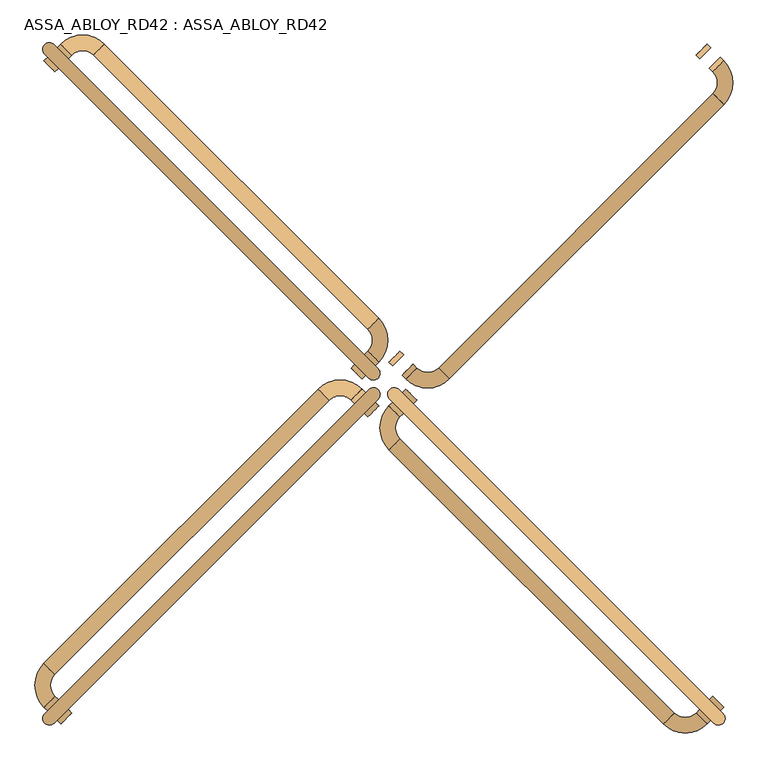
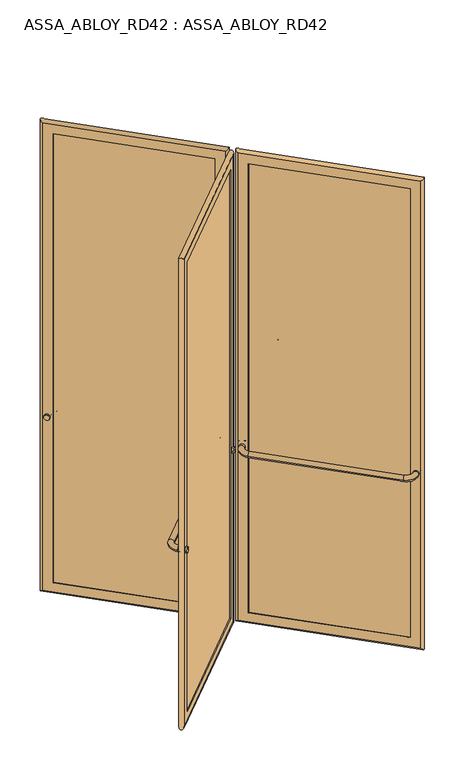
"""IFC4 building model written with IfcOpenShell, lengths in millimetres: door geometry, ASSA_ABLOY_RD42 : ASSA_ABLOY_RD42."""

from ifc_helpers import new_model, si_unit, point, frame, origin, origin_2d, place, context, project, spatial, polyline, circle_curve, ellipse_curve, trimmed, segment, composite_curve, outline, extrude, source, transform, mapped, element, save
from ifc_brep_helpers import plane_surface, cylinder_surface, revolved_surface, advanced_brep


def assa_abloy_rd42_assa_abloy_rd42_ce6b9905(model_context):
    return source(origin(), model_context, "Body", "SolidModel", [
        extrude(outline(composite_curve([segment(trimmed(circle_curve(origin_2d(), 15.0), [point((0.0, 15.0))], [point((0.0, -15.0))], False, "CARTESIAN"), True, "CONTINUOUS"), segment(trimmed(circle_curve(origin_2d(), 15.0), [point((0.0, -15.0))], [point((0.0, 15.0))], False, "CARTESIAN"), True, "CONTINUOUS")], self_intersect=False)), frame((767.0529573, -623.668181, 1050.0), z_axis=(0.7071067811865496, 0.7071067811865455, 0.0), x_axis=(0.0, 0.0, 1.0)), (0.0, 0.0, 1.0), 10.0),
        extrude(outline(composite_curve([segment(trimmed(circle_curve(origin_2d(), 15.0), [point((0.0, 15.0))], [point((0.0, -15.0))], False, "CARTESIAN"), True, "CONTINUOUS"), segment(trimmed(circle_curve(origin_2d(), 15.0), [point((0.0, -15.0))], [point((0.0, 15.0))], False, "CARTESIAN"), True, "CONTINUOUS")], self_intersect=False)), frame((170.9619408, -27.5771645, 1050.0), z_axis=(0.7071067811865496, 0.7071067811865455, 0.0), x_axis=(0.0, 0.0, 1.0)), (0.0, 0.0, 1.0), 10.0),
        advanced_brep(
        [(141.9705627, -35.3553391, 1050.0), (163.1837662, -56.5685425, 1050.0), (134.8994949, -42.4264069, 1050.0), (156.1126984, -63.6396103, 1050.0), (156.1126984, -106.0660172, 1050.0), (134.8994949, -127.2792206, 1050.0), (667.3509012, -659.7306268, 1050.0), (688.5641046, -638.5174234, 1050.0), (730.9905115, -638.5174234, 1050.0), (752.2037149, -659.7306268, 1050.0), (759.2747827, -652.659559, 1050.0), (738.0615793, -631.4463556, 1050.0)],
        [
            (0, 1, circle_curve(frame((152.5771645, -45.9619408, 1050.0), z_axis=(0.7071067811865497, 0.7071067811865456, 0.0), x_axis=(0.7071067811865456, -0.7071067811865497, 0.0)), 15.0)),
            (1, 0, circle_curve(frame((152.5771645, -45.9619408, 1050.0), z_axis=(0.7071067811865497, 0.7071067811865456, 0.0), x_axis=(0.7071067811865456, -0.7071067811865497, 0.0)), 15.0)),
            (0, 2),
            (2, 3, circle_curve(frame((145.5060967, -53.0330086, 1050.0), z_axis=(0.7071067811865497, 0.7071067811865456, 0.0), x_axis=(0.7071067811865456, -0.7071067811865497, 0.0)), 15.0)),
            (3, 1),
            (3, 2, circle_curve(frame((145.5060967, -53.0330086, 1050.0), z_axis=(0.7071067811865497, 0.7071067811865456, 0.0), x_axis=(0.7071067811865456, -0.7071067811865497, 0.0)), 15.0)),
            (4, 3, circle_curve(frame((177.3259018, -84.8528137, 1050.0), z_axis=(0.0, 0.0, -1.0), x_axis=(-0.707106781186541, 0.7071067811865542, 0.0)), 30.0)),
            (2, 5, circle_curve(frame((177.3259018, -84.8528137, 1050.0), z_axis=(0.0, 0.0, 1.0), x_axis=(-0.707106781186541, 0.7071067811865542, 0.0)), 60.0)),
            (5, 4, circle_curve(frame((145.5060967, -116.6726189, 1050.0), z_axis=(-0.7071067811865127, 0.7071067811865825, 0.0), x_axis=(0.7071067811865825, 0.7071067811865127, 0.0)), 15.0)),
            (4, 5, circle_curve(frame((145.5060967, -116.6726189, 1050.0), z_axis=(-0.707106781186487, 0.7071067811866083, 0.0), x_axis=(0.7071067811866083, 0.707106781186487, 0.0)), 15.0)),
            (5, 6),
            (6, 7, circle_curve(frame((677.9575029, -649.1240251, 1050.0), z_axis=(-0.7071067811865456, 0.7071067811865497, 0.0), x_axis=(0.7071067811865497, 0.7071067811865456, 0.0)), 15.0)),
            (7, 4),
            (7, 6, circle_curve(frame((677.9575029, -649.1240251, 1050.0), z_axis=(-0.7071067811865456, 0.7071067811865497, 0.0), x_axis=(0.7071067811865497, 0.7071067811865456, 0.0)), 15.0)),
            (8, 7, circle_curve(frame((709.777308, -617.30422, 1050.0), z_axis=(0.0, 0.0, -1.0), x_axis=(-0.7071067811865539, -0.7071067811865414, 0.0)), 30.0)),
            (6, 9, circle_curve(frame((709.777308, -617.30422, 1050.0), z_axis=(0.0, 0.0, 1.0), x_axis=(-0.7071067811865539, -0.7071067811865414, 0.0)), 60.0)),
            (9, 8, circle_curve(frame((741.5971132, -649.1240251, 1050.0), z_axis=(-0.7071067811865512, -0.707106781186544, 0.0), x_axis=(-0.707106781186544, 0.7071067811865512, 0.0)), 15.0)),
            (8, 9, circle_curve(frame((741.5971132, -649.1240251, 1050.0), z_axis=(-0.707106781186553, -0.7071067811865422, 0.0), x_axis=(-0.7071067811865422, 0.707106781186553, 0.0)), 15.0)),
            (10, 11, circle_curve(frame((748.668181, -642.0529573, 1050.0), z_axis=(0.7071067811865497, 0.7071067811865456, 0.0), x_axis=(-0.7071067811865456, 0.7071067811865497, 0.0)), 15.0)),
            (11, 10, circle_curve(frame((748.668181, -642.0529573, 1050.0), z_axis=(0.7071067811865497, 0.7071067811865456, 0.0), x_axis=(-0.7071067811865456, 0.7071067811865497, 0.0)), 15.0)),
            (9, 10),
            (11, 8),
        ],
        [
            plane_surface(frame((152.5771645, -45.9619408, 1050.0), z_axis=(0.7071067811865496, 0.7071067811865455, 0.0), x_axis=(0.0, 0.0, 1.0))),
            cylinder_surface(frame((152.5771645, -45.9619408, 1050.0), z_axis=(0.7071067811865497, 0.7071067811865456, 0.0), x_axis=(0.7071067811865456, -0.7071067811865497, 0.0)), 15.0),
            revolved_surface(trimmed(ellipse_curve(frame((145.5060967, -53.0330086, 1050.0), z_axis=(0.7071067811865542, 0.707106781186541, 0.0), x_axis=(0.707106781186541, -0.7071067811865542, 0.0)), 15.0, 15.0), [point((134.8994949, -42.4264069, 1050.0))], [point((156.1126984, -63.6396103, 1050.0))], True, "CARTESIAN"), (177.3259018, -84.8528137, 1050.0), (0.0, 0.0, 1.0)),
            revolved_surface(trimmed(ellipse_curve(frame((145.5060967, -53.0330086, 1050.0), z_axis=(0.7071067811865542, 0.707106781186541, 0.0), x_axis=(0.707106781186541, -0.7071067811865542, 0.0)), 15.0, 15.0), [point((156.1126984, -63.6396103, 1050.0))], [point((134.8994949, -42.4264069, 1050.0))], True, "CARTESIAN"), (177.3259018, -84.8528137, 1050.0), (0.0, 0.0, 1.0)),
            cylinder_surface(frame((145.5060967, -116.6726189, 1050.0), z_axis=(-0.7071067811865456, 0.7071067811865497, 0.0), x_axis=(0.7071067811865497, 0.7071067811865456, 0.0)), 15.0),
            revolved_surface(trimmed(ellipse_curve(frame((677.9575029, -649.1240251, 1050.0), z_axis=(-0.7071067811865414, 0.7071067811865539, 0.0), x_axis=(0.7071067811865539, 0.7071067811865414, 0.0)), 15.0, 15.0), [point((667.3509012, -659.7306268, 1050.0))], [point((688.5641046, -638.5174234, 1050.0))], True, "CARTESIAN"), (709.777308, -617.30422, 1050.0), (0.0, 0.0, 1.0)),
            revolved_surface(trimmed(ellipse_curve(frame((677.9575029, -649.1240251, 1050.0), z_axis=(-0.7071067811865414, 0.7071067811865539, 0.0), x_axis=(0.7071067811865539, 0.7071067811865414, 0.0)), 15.0, 15.0), [point((688.5641046, -638.5174234, 1050.0))], [point((667.3509012, -659.7306268, 1050.0))], True, "CARTESIAN"), (709.777308, -617.30422, 1050.0), (0.0, 0.0, 1.0)),
            plane_surface(frame((748.668181, -642.0529573, 1050.0), z_axis=(0.7071067811865496, 0.7071067811865455, 0.0), x_axis=(0.0, 0.0, 1.0))),
            cylinder_surface(frame((741.5971132, -649.1240251, 1050.0), z_axis=(-0.7071067811865497, -0.7071067811865456, 0.0), x_axis=(-0.7071067811865456, 0.7071067811865497, 0.0)), 15.0),
        ],
        [
            (0, [[1, 2]]),
            (1, [[-1, 3, 4, 5]]),
            (1, [[-2, -5, 6, -3]]),
            (2, [[7, -4, 8, 9]]),
            (3, [[-8, -6, -7, 10]]),
            (4, [[-9, 11, 12, 13]]),
            (4, [[-10, -13, 14, -11]]),
            (5, [[15, -12, 16, 17]]),
            (6, [[-16, -14, -15, 18]]),
            (7, [[19, 20]]),
            (8, [[-17, 21, -20, 22]]),
            (8, [[-18, -22, -19, -21]]),
        ],
    ),
        advanced_brep(
        [(730.2834047, -619.4255403, 105.0), (728.1620844, -621.5468607, 105.0), (728.1620844, -621.5468607, 2673.0), (730.2834047, -619.4255403, 2673.0), (758.5676759, -619.4255403, 85.0), (744.4255403, -633.5676759, 85.0), (744.4255403, -633.5676759, 2693.0), (758.5676759, -619.4255403, 2693.0), (746.5468607, -603.1620844, 105.0), (744.4255403, -605.2834047, 105.0), (744.4255403, -605.2834047, 2673.0), (746.5468607, -603.1620844, 2673.0), (764.931637, -658.3164133, 53.0), (783.3164133, -639.931637, 53.0), (783.3164133, -639.931637, 2725.0), (764.931637, -658.3164133, 2725.0), (173.0832611, -66.4680374, 2673.0), (175.2045815, -64.3467171, 2673.0), (161.0624458, -50.2045815, 2693.0), (175.2045815, -36.0624458, 2693.0), (189.3467171, -50.2045815, 2673.0), (191.4680374, -48.0832611, 2673.0), (154.6984848, -11.3137085, 2725.0), (136.3137085, -29.6984848, 2725.0), (173.0832611, -66.4680374, 105.0), (175.2045815, -64.3467171, 105.0), (161.0624458, -50.2045815, 85.0), (175.2045815, -36.0624458, 85.0), (189.3467171, -50.2045815, 105.0), (191.4680374, -48.0832611, 105.0), (154.6984848, -11.3137085, 53.0), (136.3137085, -29.6984848, 53.0)],
        [
            (0, 1),
            (1, 2),
            (2, 3),
            (3, 0),
            (4, 5),
            (5, 6),
            (6, 7),
            (7, 4),
            (8, 9),
            (9, 10),
            (10, 11),
            (11, 8),
            (12, 13, ellipse_curve(frame((774.1240251, -649.1240251, 53.0), z_axis=(0.4999999999999917, -0.5000000000000084, 0.7071067811865475), x_axis=(0.5000000000000054, -0.4999999999999945, -0.7071067811865476)), 18.3847763, 13.0)),
            (13, 14),
            (14, 15, ellipse_curve(frame((774.1240251, -649.1240251, 2725.0), z_axis=(0.5000000000000054, -0.49999999999999456, -0.7071067811865475), x_axis=(-0.4999999999999915, 0.5000000000000083, -0.7071067811865476)), 18.3847763, 13.0)),
            (15, 12),
            (2, 16),
            (16, 17),
            (17, 3),
            (6, 18),
            (18, 19),
            (19, 7),
            (10, 20),
            (20, 21),
            (21, 11),
            (14, 22),
            (22, 23, ellipse_curve(frame((145.5060967, -20.5060967, 2725.0), z_axis=(0.4999999999999917, -0.5000000000000084, 0.7071067811865475), x_axis=(0.5000000000000054, -0.4999999999999945, -0.7071067811865476)), 18.3847763, 13.0)),
            (23, 15),
            (16, 24),
            (24, 25),
            (25, 17),
            (18, 26),
            (26, 27),
            (27, 19),
            (20, 28),
            (28, 29),
            (29, 21),
            (22, 30),
            (30, 31, ellipse_curve(frame((145.5060967, -20.5060967, 53.0), z_axis=(-0.5000000000000054, 0.49999999999999456, 0.7071067811865475), x_axis=(0.4999999999999915, -0.5000000000000083, 0.7071067811865476)), 18.3847763, 13.0)),
            (31, 23),
            (24, 1),
            (0, 25),
            (5, 26),
            (4, 27),
            (9, 28),
            (8, 29),
            (13, 30),
            (12, 31),
        ],
        [
            plane_surface(frame((728.1620844, -621.5468607, 105.0), z_axis=(-0.7071067811865437, 0.7071067811865513, 0.0), x_axis=(0.0, 0.0, 1.0))),
            plane_surface(frame((744.4255403, -633.5676759, 85.0), z_axis=(-0.7071067811865452, 0.7071067811865498, 0.0), x_axis=(0.0, 0.0, 1.0))),
            plane_surface(frame((744.4255403, -605.2834047, 105.0), z_axis=(-0.7071067811865437, 0.7071067811865513, 0.0), x_axis=(0.0, 0.0, 1.0))),
            cylinder_surface(frame((774.1240251, -649.1240251, 40.0), z_axis=(0.0, 0.0, -1.0), x_axis=(-0.7071067811865456, 0.7071067811865497, 0.0)), 13.0),
            plane_surface(frame((728.1620844, -621.5468607, 2673.0), z_axis=(0.0, 0.0, -1.0), x_axis=(-0.7071067811865455, 0.7071067811865496, 0.0))),
            plane_surface(frame((744.4255403, -633.5676759, 2693.0), z_axis=(0.0, 0.0, -1.0), x_axis=(-0.7071067811865455, 0.7071067811865496, 0.0))),
            plane_surface(frame((744.4255403, -605.2834047, 2673.0), z_axis=(0.0, 0.0, -1.0), x_axis=(-0.7071067811865455, 0.7071067811865496, 0.0))),
            cylinder_surface(frame((783.3164133, -658.3164133, 2725.0), z_axis=(0.7071067811865456, -0.7071067811865497, 0.0), x_axis=(0.0, 0.0, -1.0)), 13.0),
            plane_surface(frame((173.0832611, -66.4680374, 2673.0), z_axis=(0.7071067811865472, -0.7071067811865478, 0.0), x_axis=(0.0, 0.0, -1.0))),
            plane_surface(frame((161.0624458, -50.2045815, 2693.0), z_axis=(0.7071067811865457, -0.7071067811865493, 0.0), x_axis=(0.0, 0.0, -1.0))),
            plane_surface(frame((189.3467171, -50.2045815, 2673.0), z_axis=(0.7071067811865472, -0.7071067811865478, 0.0), x_axis=(0.0, 0.0, -1.0))),
            cylinder_surface(frame((145.5060967, -20.5060967, 2738.0), z_axis=(0.0, 0.0, 1.0), x_axis=(0.7071067811865456, -0.7071067811865497, 0.0)), 13.0),
            plane_surface(frame((173.0832611, -66.4680374, 105.0), z_axis=(0.0, 0.0, 1.0), x_axis=(0.7071067811865455, -0.7071067811865496, 0.0))),
            plane_surface(frame((175.2045815, -64.3467171, 105.0), z_axis=(0.7071067811865496, 0.7071067811865455, 0.0), x_axis=(0.7071067811865455, -0.7071067811865496, 0.0))),
            plane_surface(frame((161.0624458, -50.2045815, 85.0), z_axis=(0.0, 0.0, 1.0), x_axis=(0.7071067811865455, -0.7071067811865496, 0.0))),
            plane_surface(frame((175.2045815, -36.0624458, 85.0), z_axis=(-0.7071067811865496, -0.7071067811865455, 0.0), x_axis=(0.7071067811865455, -0.7071067811865496, 0.0))),
            plane_surface(frame((189.3467171, -50.2045815, 105.0), z_axis=(0.0, 0.0, 1.0), x_axis=(0.7071067811865455, -0.7071067811865496, 0.0))),
            plane_surface(frame((191.4680374, -48.0832611, 105.0), z_axis=(0.7071067811865496, 0.7071067811865455, 0.0), x_axis=(0.7071067811865455, -0.7071067811865496, 0.0))),
            cylinder_surface(frame((136.3137085, -11.3137085, 53.0), z_axis=(-0.7071067811865456, 0.7071067811865497, 0.0), x_axis=(0.0, 0.0, 1.0)), 13.0),
            plane_surface(frame((136.3137085, -29.6984848, 53.0), z_axis=(-0.7071067811865496, -0.7071067811865455, 0.0), x_axis=(0.7071067811865455, -0.7071067811865496, 0.0))),
        ],
        [
            (0, [[1, 2, 3, 4]]),
            (1, [[5, 6, 7, 8]]),
            (2, [[9, 10, 11, 12]]),
            (3, [[13, 14, 15, 16]]),
            (4, [[-3, 17, 18, 19]]),
            (5, [[-7, 20, 21, 22]]),
            (6, [[-11, 23, 24, 25]]),
            (7, [[-15, 26, 27, 28]]),
            (8, [[-18, 29, 30, 31]]),
            (9, [[-21, 32, 33, 34]]),
            (10, [[-24, 35, 36, 37]]),
            (11, [[-27, 38, 39, 40]]),
            (12, [[-30, 41, -1, 42]]),
            (13, [[43, -32, -20, -6], [-19, -31, -42, -4]]),
            (14, [[-33, -43, -5, 44]]),
            (15, [[-22, -34, -44, -8], [45, -35, -23, -10]]),
            (16, [[-36, -45, -9, 46]]),
            (17, [[47, -38, -26, -14], [-25, -37, -46, -12]]),
            (18, [[-39, -47, -13, 48]]),
            (19, [[-28, -40, -48, -16], [-41, -29, -17, -2]]),
        ],
    ),
        extrude(outline(polyline([(755.032142, -622.9610742), (747.9610742, -630.032142), (164.5979797, -46.6690476), (171.6690476, -39.5979797), (755.032142, -622.9610742)])), frame((0.0, 0.0, 85.0), z_axis=(0.0, 0.0, 1.0), x_axis=(1.0, 0.0, 0.0)), (0.0, 0.0, 1.0), 2608.0),
        extrude(outline(composite_curve([segment(trimmed(circle_curve(origin_2d(), 15.0), [point((0.0, -15.0))], [point((0.0, 15.0))], False, "CARTESIAN"), True, "CONTINUOUS"), segment(trimmed(circle_curve(origin_2d(), 15.0), [point((0.0, 15.0))], [point((0.0, -15.0))], False, "CARTESIAN"), True, "CONTINUOUS")], self_intersect=False)), frame((-491.5971132, -649.1240251, 1050.0), z_axis=(-0.7071067811865447, 0.7071067811865503, 0.0), x_axis=(0.0, 0.0, 1.0)), (0.0, 0.0, 1.0), 10.0),
        extrude(outline(composite_curve([segment(trimmed(circle_curve(origin_2d(), 15.0), [point((0.0, -15.0))], [point((0.0, 15.0))], False, "CARTESIAN"), True, "CONTINUOUS"), segment(trimmed(circle_curve(origin_2d(), 15.0), [point((0.0, 15.0))], [point((0.0, -15.0))], False, "CARTESIAN"), True, "CONTINUOUS")], self_intersect=False)), frame((104.4939033, -53.0330086, 1050.0), z_axis=(-0.7071067811865447, 0.7071067811865503, 0.0), x_axis=(0.0, 0.0, 1.0)), (0.0, 0.0, 1.0), 10.0),
        advanced_brep(
        [(89.6446609, -16.9705627, 1050.0), (68.4314575, -38.1837662, 1050.0), (82.5735931, -9.8994949, 1050.0), (61.3603897, -31.1126984, 1050.0), (18.9339828, -31.1126984, 1050.0), (-2.2792206, -9.8994949, 1050.0), (-534.7306268, -542.3509012, 1050.0), (-513.5174234, -563.5641046, 1050.0), (-513.5174234, -605.9905115, 1050.0), (-534.7306268, -627.2037149, 1050.0), (-527.659559, -634.2747827, 1050.0), (-506.4463556, -613.0615793, 1050.0)],
        [
            (0, 1, circle_curve(frame((79.0380592, -27.5771645, 1050.0), z_axis=(0.7071067811865447, -0.7071067811865503, 0.0), x_axis=(-0.7071067811865503, -0.7071067811865447, 0.0)), 15.0)),
            (1, 0, circle_curve(frame((79.0380592, -27.5771645, 1050.0), z_axis=(0.7071067811865447, -0.7071067811865503, 0.0), x_axis=(-0.7071067811865503, -0.7071067811865447, 0.0)), 15.0)),
            (0, 2),
            (2, 3, circle_curve(frame((71.9669914, -20.5060967, 1050.0), z_axis=(0.7071067811865447, -0.7071067811865503, 0.0), x_axis=(-0.7071067811865503, -0.7071067811865447, 0.0)), 15.0)),
            (3, 1),
            (3, 2, circle_curve(frame((71.9669914, -20.5060967, 1050.0), z_axis=(0.7071067811865447, -0.7071067811865503, 0.0), x_axis=(-0.7071067811865503, -0.7071067811865447, 0.0)), 15.0)),
            (4, 3, circle_curve(frame((40.1471863, -52.3259018, 1050.0), z_axis=(0.0, 0.0, -1.0), x_axis=(0.7071067811865549, 0.7071067811865401, 0.0)), 30.0)),
            (2, 5, circle_curve(frame((40.1471863, -52.3259018, 1050.0), z_axis=(0.0, 0.0, 1.0), x_axis=(0.7071067811865549, 0.7071067811865401, 0.0)), 60.0)),
            (5, 4, circle_curve(frame((8.3273811, -20.5060967, 1050.0), z_axis=(0.7071067811865832, 0.7071067811865118, 0.0), x_axis=(0.7071067811865118, -0.7071067811865832, 0.0)), 15.0)),
            (4, 5, circle_curve(frame((8.3273811, -20.5060967, 1050.0), z_axis=(0.707106781186609, 0.7071067811864861, 0.0), x_axis=(0.7071067811864861, -0.707106781186609, 0.0)), 15.0)),
            (5, 6),
            (6, 7, circle_curve(frame((-524.1240251, -552.9575029, 1050.0), z_axis=(0.7071067811865503, 0.7071067811865447, 0.0), x_axis=(0.7071067811865447, -0.7071067811865503, 0.0)), 15.0)),
            (7, 4),
            (7, 6, circle_curve(frame((-524.1240251, -552.9575029, 1050.0), z_axis=(0.7071067811865503, 0.7071067811865447, 0.0), x_axis=(0.7071067811865447, -0.7071067811865503, 0.0)), 15.0)),
            (8, 7, circle_curve(frame((-492.30422, -584.777308, 1050.0), z_axis=(0.0, 0.0, -1.0), x_axis=(-0.7071067811865405, 0.7071067811865546, 0.0)), 30.0)),
            (6, 9, circle_curve(frame((-492.30422, -584.777308, 1050.0), z_axis=(0.0, 0.0, 1.0), x_axis=(-0.7071067811865405, 0.7071067811865546, 0.0)), 60.0)),
            (9, 8, circle_curve(frame((-524.1240251, -616.5971132, 1050.0), z_axis=(-0.7071067811865431, 0.7071067811865519, 0.0), x_axis=(0.7071067811865519, 0.7071067811865431, 0.0)), 15.0)),
            (8, 9, circle_curve(frame((-524.1240251, -616.5971132, 1050.0), z_axis=(-0.7071067811865414, 0.7071067811865537, 0.0), x_axis=(0.7071067811865537, 0.7071067811865414, 0.0)), 15.0)),
            (10, 11, circle_curve(frame((-517.0529573, -623.668181, 1050.0), z_axis=(0.7071067811865447, -0.7071067811865503, 0.0), x_axis=(0.7071067811865503, 0.7071067811865447, 0.0)), 15.0)),
            (11, 10, circle_curve(frame((-517.0529573, -623.668181, 1050.0), z_axis=(0.7071067811865447, -0.7071067811865503, 0.0), x_axis=(0.7071067811865503, 0.7071067811865447, 0.0)), 15.0)),
            (9, 10),
            (11, 8),
        ],
        [
            plane_surface(frame((79.0380592, -27.5771645, 1050.0), z_axis=(0.7071067811865447, -0.7071067811865503, 0.0), x_axis=(0.0, 0.0, 1.0))),
            cylinder_surface(frame((79.0380592, -27.5771645, 1050.0), z_axis=(0.7071067811865447, -0.7071067811865503, 0.0), x_axis=(-0.7071067811865503, -0.7071067811865447, 0.0)), 15.0),
            revolved_surface(trimmed(ellipse_curve(frame((71.9669914, -20.5060967, 1050.0), z_axis=(0.7071067811865401, -0.7071067811865549, 0.0), x_axis=(-0.7071067811865549, -0.7071067811865401, 0.0)), 15.0, 15.0), [point((82.5735931, -9.8994949, 1050.0))], [point((61.3603897, -31.1126984, 1050.0))], True, "CARTESIAN"), (40.1471863, -52.3259018, 1050.0), (0.0, 0.0, 1.0)),
            revolved_surface(trimmed(ellipse_curve(frame((71.9669914, -20.5060967, 1050.0), z_axis=(0.7071067811865401, -0.7071067811865549, 0.0), x_axis=(-0.7071067811865549, -0.7071067811865401, 0.0)), 15.0, 15.0), [point((61.3603897, -31.1126984, 1050.0))], [point((82.5735931, -9.8994949, 1050.0))], True, "CARTESIAN"), (40.1471863, -52.3259018, 1050.0), (0.0, 0.0, 1.0)),
            cylinder_surface(frame((8.3273811, -20.5060967, 1050.0), z_axis=(0.7071067811865503, 0.7071067811865447, 0.0), x_axis=(0.7071067811865447, -0.7071067811865503, 0.0)), 15.0),
            revolved_surface(trimmed(ellipse_curve(frame((-524.1240251, -552.9575029, 1050.0), z_axis=(0.7071067811865546, 0.7071067811865405, 0.0), x_axis=(0.7071067811865405, -0.7071067811865546, 0.0)), 15.0, 15.0), [point((-534.7306268, -542.3509012, 1050.0))], [point((-513.5174234, -563.5641046, 1050.0))], True, "CARTESIAN"), (-492.30422, -584.777308, 1050.0), (0.0, 0.0, 1.0)),
            revolved_surface(trimmed(ellipse_curve(frame((-524.1240251, -552.9575029, 1050.0), z_axis=(0.7071067811865546, 0.7071067811865405, 0.0), x_axis=(0.7071067811865405, -0.7071067811865546, 0.0)), 15.0, 15.0), [point((-513.5174234, -563.5641046, 1050.0))], [point((-534.7306268, -542.3509012, 1050.0))], True, "CARTESIAN"), (-492.30422, -584.777308, 1050.0), (0.0, 0.0, 1.0)),
            plane_surface(frame((-517.0529573, -623.668181, 1050.0), z_axis=(0.7071067811865447, -0.7071067811865503, 0.0), x_axis=(0.0, 0.0, 1.0))),
            cylinder_surface(frame((-524.1240251, -616.5971132, 1050.0), z_axis=(-0.7071067811865447, 0.7071067811865503, 0.0), x_axis=(0.7071067811865503, 0.7071067811865447, 0.0)), 15.0),
        ],
        [
            (0, [[1, 2]]),
            (1, [[-1, 3, 4, 5]]),
            (1, [[-2, -5, 6, -3]]),
            (2, [[7, -4, 8, 9]]),
            (3, [[-8, -6, -7, 10]]),
            (4, [[-9, 11, 12, 13]]),
            (4, [[-10, -13, 14, -11]]),
            (5, [[15, -12, 16, 17]]),
            (6, [[-16, -14, -15, 18]]),
            (7, [[19, 20]]),
            (8, [[-17, 21, -20, 22]]),
            (8, [[-18, -22, -19, -21]]),
        ],
    ),
        advanced_brep(
        [(-494.4255403, -605.2834047, 105.0), (-496.5468607, -603.1620844, 105.0), (-496.5468607, -603.1620844, 2673.0), (-494.4255403, -605.2834047, 2673.0), (-494.4255403, -633.5676759, 85.0), (-508.5676759, -619.4255403, 85.0), (-508.5676759, -619.4255403, 2693.0), (-494.4255403, -633.5676759, 2693.0), (-478.1620844, -621.5468607, 105.0), (-480.2834047, -619.4255403, 105.0), (-480.2834047, -619.4255403, 2673.0), (-478.1620844, -621.5468607, 2673.0), (-533.3164133, -639.931637, 53.0), (-514.931637, -658.3164133, 53.0), (-514.931637, -658.3164133, 2725.0), (-533.3164133, -639.931637, 2725.0), (58.5319626, -48.0832611, 2673.0), (60.6532829, -50.2045815, 2673.0), (74.7954185, -36.0624458, 2693.0), (88.9375542, -50.2045815, 2693.0), (74.7954185, -64.3467171, 2673.0), (76.9167389, -66.4680374, 2673.0), (113.6862915, -29.6984848, 2725.0), (95.3015152, -11.3137085, 2725.0), (58.5319626, -48.0832611, 105.0), (60.6532829, -50.2045815, 105.0), (74.7954185, -36.0624458, 85.0), (88.9375542, -50.2045815, 85.0), (74.7954185, -64.3467171, 105.0), (76.9167389, -66.4680374, 105.0), (113.6862915, -29.6984848, 53.0), (95.3015152, -11.3137085, 53.0)],
        [
            (0, 1),
            (1, 2),
            (2, 3),
            (3, 0),
            (4, 5),
            (5, 6),
            (6, 7),
            (7, 4),
            (8, 9),
            (9, 10),
            (10, 11),
            (11, 8),
            (12, 13, ellipse_curve(frame((-524.1240251, -649.1240251, 53.0), z_axis=(-0.5000000000000089, -0.49999999999999106, 0.7071067811865475), x_axis=(-0.49999999999999495, -0.5000000000000048, -0.7071067811865476)), 18.3847763, 13.0)),
            (13, 14),
            (14, 15, ellipse_curve(frame((-524.1240251, -649.1240251, 2725.0), z_axis=(-0.49999999999999506, -0.5000000000000049, -0.7071067811865475), x_axis=(0.5000000000000088, 0.49999999999999095, -0.7071067811865476)), 18.3847763, 13.0)),
            (15, 12),
            (2, 16),
            (16, 17),
            (17, 3),
            (6, 18),
            (18, 19),
            (19, 7),
            (10, 20),
            (20, 21),
            (21, 11),
            (14, 22),
            (22, 23, ellipse_curve(frame((104.4939033, -20.5060967, 2725.0), z_axis=(-0.5000000000000089, -0.49999999999999106, 0.7071067811865475), x_axis=(-0.4999999999999951, -0.5000000000000049, -0.7071067811865474)), 18.3847763, 13.0)),
            (23, 15),
            (16, 24),
            (24, 25),
            (25, 17),
            (18, 26),
            (26, 27),
            (27, 19),
            (20, 28),
            (28, 29),
            (29, 21),
            (22, 30),
            (30, 31, ellipse_curve(frame((104.4939033, -20.5060967, 53.0), z_axis=(0.49999999999999506, 0.5000000000000049, 0.7071067811865475), x_axis=(-0.5000000000000088, -0.49999999999999095, 0.7071067811865476)), 18.3847763, 13.0)),
            (31, 23),
            (24, 1),
            (0, 25),
            (5, 26),
            (4, 27),
            (9, 28),
            (8, 29),
            (13, 30),
            (12, 31),
        ],
        [
            plane_surface(frame((-496.5468607, -603.1620844, 105.0), z_axis=(0.7071067811865521, 0.7071067811865429, 0.0), x_axis=(0.0, 0.0, 1.0))),
            plane_surface(frame((-508.5676759, -619.4255403, 85.0), z_axis=(0.7071067811865506, 0.7071067811865445, 0.0), x_axis=(0.0, 0.0, 1.0))),
            plane_surface(frame((-480.2834047, -619.4255403, 105.0), z_axis=(0.7071067811865521, 0.7071067811865429, 0.0), x_axis=(0.0, 0.0, 1.0))),
            cylinder_surface(frame((-524.1240251, -649.1240251, 40.0), z_axis=(0.0, 0.0, -1.0), x_axis=(0.7071067811865503, 0.7071067811865447, 0.0)), 13.0),
            plane_surface(frame((-496.5468607, -603.1620844, 2673.0), z_axis=(0.0, 0.0, -1.0), x_axis=(0.7071067811865503, 0.7071067811865447, 0.0))),
            plane_surface(frame((-508.5676759, -619.4255403, 2693.0), z_axis=(0.0, 0.0, -1.0), x_axis=(0.7071067811865503, 0.7071067811865447, 0.0))),
            plane_surface(frame((-480.2834047, -619.4255403, 2673.0), z_axis=(0.0, 0.0, -1.0), x_axis=(0.7071067811865503, 0.7071067811865447, 0.0))),
            cylinder_surface(frame((-533.3164133, -658.3164133, 2725.0), z_axis=(-0.7071067811865503, -0.7071067811865447, 0.0), x_axis=(0.0, 0.0, -1.0)), 13.0),
            plane_surface(frame((58.5319626, -48.0832611, 2673.0), z_axis=(-0.7071067811865486, -0.7071067811865465, 0.0), x_axis=(0.0, 0.0, -1.0))),
            plane_surface(frame((74.7954185, -36.0624458, 2693.0), z_axis=(-0.7071067811865501, -0.7071067811865449, 0.0), x_axis=(0.0, 0.0, -1.0))),
            plane_surface(frame((74.7954185, -64.3467171, 2673.0), z_axis=(-0.7071067811865486, -0.7071067811865465, 0.0), x_axis=(0.0, 0.0, -1.0))),
            cylinder_surface(frame((104.4939033, -20.5060967, 2738.0), z_axis=(0.0, 0.0, 1.0), x_axis=(-0.7071067811865503, -0.7071067811865447, 0.0)), 13.0),
            plane_surface(frame((58.5319626, -48.0832611, 105.0), z_axis=(0.0, 0.0, 1.0), x_axis=(-0.7071067811865503, -0.7071067811865447, 0.0))),
            plane_surface(frame((60.6532829, -50.2045815, 105.0), z_axis=(0.7071067811865447, -0.7071067811865503, 0.0), x_axis=(-0.7071067811865503, -0.7071067811865447, 0.0))),
            plane_surface(frame((74.7954185, -36.0624458, 85.0), z_axis=(0.0, 0.0, 1.0), x_axis=(-0.7071067811865503, -0.7071067811865447, 0.0))),
            plane_surface(frame((88.9375542, -50.2045815, 85.0), z_axis=(-0.7071067811865447, 0.7071067811865503, 0.0), x_axis=(-0.7071067811865503, -0.7071067811865447, 0.0))),
            plane_surface(frame((74.7954185, -64.3467171, 105.0), z_axis=(0.0, 0.0, 1.0), x_axis=(-0.7071067811865503, -0.7071067811865447, 0.0))),
            plane_surface(frame((76.9167389, -66.4680374, 105.0), z_axis=(0.7071067811865447, -0.7071067811865503, 0.0), x_axis=(-0.7071067811865503, -0.7071067811865447, 0.0))),
            cylinder_surface(frame((113.6862915, -11.3137085, 53.0), z_axis=(0.7071067811865503, 0.7071067811865447, 0.0), x_axis=(0.0, 0.0, 1.0)), 13.0),
            plane_surface(frame((95.3015152, -11.3137085, 53.0), z_axis=(-0.7071067811865447, 0.7071067811865503, 0.0), x_axis=(-0.7071067811865503, -0.7071067811865447, 0.0))),
        ],
        [
            (0, [[1, 2, 3, 4]]),
            (1, [[5, 6, 7, 8]]),
            (2, [[9, 10, 11, 12]]),
            (3, [[13, 14, 15, 16]]),
            (4, [[-3, 17, 18, 19]]),
            (5, [[-7, 20, 21, 22]]),
            (6, [[-11, 23, 24, 25]]),
            (7, [[-15, 26, 27, 28]]),
            (8, [[-18, 29, 30, 31]]),
            (9, [[-21, 32, 33, 34]]),
            (10, [[-24, 35, 36, 37]]),
            (11, [[-27, 38, 39, 40]]),
            (12, [[-30, 41, -1, 42]]),
            (13, [[43, -32, -20, -6], [-19, -31, -42, -4]]),
            (14, [[-33, -43, -5, 44]]),
            (15, [[-22, -34, -44, -8], [45, -35, -23, -10]]),
            (16, [[-36, -45, -9, 46]]),
            (17, [[47, -38, -26, -14], [-25, -37, -46, -12]]),
            (18, [[-39, -47, -13, 48]]),
            (19, [[-28, -40, -48, -16], [-41, -29, -17, -2]]),
        ],
    ),
        extrude(outline(polyline([(-497.9610742, -630.032142), (-505.032142, -622.9610742), (78.3309524, -39.5979797), (85.4020203, -46.6690476), (-497.9610742, -630.032142)])), frame((0.0, 0.0, 85.0), z_axis=(0.0, 0.0, 1.0), x_axis=(1.0, 0.0, 0.0)), (0.0, 0.0, 1.0), 2608.0),
        extrude(outline(composite_curve([segment(trimmed(circle_curve(origin_2d(), 15.0), [point((0.0, -15.0))], [point((0.0, 15.0))], False, "CARTESIAN"), True, "CONTINUOUS"), segment(trimmed(circle_curve(origin_2d(), 15.0), [point((0.0, 15.0))], [point((0.0, -15.0))], False, "CARTESIAN"), True, "CONTINUOUS")], self_intersect=False)), frame((-524.1240251, 616.5971132, 1050.0), z_axis=(0.70710678118655, 0.707106781186545, 0.0), x_axis=(0.0, 0.0, 1.0)), (0.0, 0.0, 1.0), 10.0),
        extrude(outline(composite_curve([segment(trimmed(circle_curve(origin_2d(), 15.0), [point((0.0, -15.0))], [point((0.0, 15.0))], False, "CARTESIAN"), True, "CONTINUOUS"), segment(trimmed(circle_curve(origin_2d(), 15.0), [point((0.0, 15.0))], [point((0.0, -15.0))], False, "CARTESIAN"), True, "CONTINUOUS")], self_intersect=False)), frame((71.9669914, 20.5060967, 1050.0), z_axis=(0.70710678118655, 0.707106781186545, 0.0), x_axis=(0.0, 0.0, 1.0)), (0.0, 0.0, 1.0), 10.0),
        advanced_brep(
        [(108.0294373, 35.3553391, 1050.0), (86.8162338, 56.5685425, 1050.0), (115.1005051, 42.4264069, 1050.0), (93.8873016, 63.6396103, 1050.0), (93.8873016, 106.0660172, 1050.0), (115.1005051, 127.2792206, 1050.0), (-417.3509012, 659.7306268, 1050.0), (-438.5641046, 638.5174234, 1050.0), (-480.9905115, 638.5174234, 1050.0), (-502.2037149, 659.7306268, 1050.0), (-509.2747827, 652.659559, 1050.0), (-488.0615793, 631.4463556, 1050.0)],
        [
            (0, 1, circle_curve(frame((97.4228355, 45.9619408, 1050.0), z_axis=(-0.70710678118655, -0.707106781186545, 0.0), x_axis=(-0.707106781186545, 0.70710678118655, 0.0)), 15.0)),
            (1, 0, circle_curve(frame((97.4228355, 45.9619408, 1050.0), z_axis=(-0.70710678118655, -0.707106781186545, 0.0), x_axis=(-0.707106781186545, 0.70710678118655, 0.0)), 15.0)),
            (0, 2),
            (2, 3, circle_curve(frame((104.4939033, 53.0330086, 1050.0), z_axis=(-0.70710678118655, -0.707106781186545, 0.0), x_axis=(-0.707106781186545, 0.70710678118655, 0.0)), 15.0)),
            (3, 1),
            (3, 2, circle_curve(frame((104.4939033, 53.0330086, 1050.0), z_axis=(-0.70710678118655, -0.707106781186545, 0.0), x_axis=(-0.707106781186545, 0.70710678118655, 0.0)), 15.0)),
            (4, 3, circle_curve(frame((72.6740982, 84.8528137, 1050.0), z_axis=(0.0, 0.0, -1.0), x_axis=(0.7071067811865405, -0.7071067811865546, 0.0)), 30.0)),
            (2, 5, circle_curve(frame((72.6740982, 84.8528137, 1050.0), z_axis=(0.0, 0.0, 1.0), x_axis=(0.7071067811865405, -0.7071067811865546, 0.0)), 60.0)),
            (5, 4, circle_curve(frame((104.4939033, 116.6726189, 1050.0), z_axis=(0.7071067811865122, -0.7071067811865829, 0.0), x_axis=(-0.7071067811865829, -0.7071067811865122, 0.0)), 15.0)),
            (4, 5, circle_curve(frame((104.4939033, 116.6726189, 1050.0), z_axis=(0.7071067811864864, -0.7071067811866086, 0.0), x_axis=(-0.7071067811866086, -0.7071067811864864, 0.0)), 15.0)),
            (5, 6),
            (6, 7, circle_curve(frame((-427.9575029, 649.1240251, 1050.0), z_axis=(0.707106781186545, -0.70710678118655, 0.0), x_axis=(-0.70710678118655, -0.707106781186545, 0.0)), 15.0)),
            (7, 4),
            (7, 6, circle_curve(frame((-427.9575029, 649.1240251, 1050.0), z_axis=(0.707106781186545, -0.70710678118655, 0.0), x_axis=(-0.70710678118655, -0.707106781186545, 0.0)), 15.0)),
            (8, 7, circle_curve(frame((-459.777308, 617.30422, 1050.0), z_axis=(0.0, 0.0, -1.0), x_axis=(0.7071067811865543, 0.7071067811865407, 0.0)), 30.0)),
            (6, 9, circle_curve(frame((-459.777308, 617.30422, 1050.0), z_axis=(0.0, 0.0, 1.0), x_axis=(0.7071067811865543, 0.7071067811865407, 0.0)), 60.0)),
            (9, 8, circle_curve(frame((-491.5971132, 649.1240251, 1050.0), z_axis=(0.7071067811865517, 0.7071067811865434, 0.0), x_axis=(0.7071067811865434, -0.7071067811865517, 0.0)), 15.0)),
            (8, 9, circle_curve(frame((-491.5971132, 649.1240251, 1050.0), z_axis=(0.7071067811865535, 0.7071067811865416, 0.0), x_axis=(0.7071067811865416, -0.7071067811865535, 0.0)), 15.0)),
            (10, 11, circle_curve(frame((-498.668181, 642.0529573, 1050.0), z_axis=(-0.70710678118655, -0.707106781186545, 0.0), x_axis=(0.707106781186545, -0.70710678118655, 0.0)), 15.0)),
            (11, 10, circle_curve(frame((-498.668181, 642.0529573, 1050.0), z_axis=(-0.70710678118655, -0.707106781186545, 0.0), x_axis=(0.707106781186545, -0.70710678118655, 0.0)), 15.0)),
            (9, 10),
            (11, 8),
        ],
        [
            plane_surface(frame((97.4228355, 45.9619408, 1050.0), z_axis=(-0.70710678118655, -0.707106781186545, 0.0), x_axis=(0.0, 0.0, 1.0))),
            cylinder_surface(frame((97.4228355, 45.9619408, 1050.0), z_axis=(-0.70710678118655, -0.707106781186545, 0.0), x_axis=(-0.707106781186545, 0.70710678118655, 0.0)), 15.0),
            revolved_surface(trimmed(ellipse_curve(frame((104.4939033, 53.0330086, 1050.0), z_axis=(-0.7071067811865546, -0.7071067811865405, 0.0), x_axis=(-0.7071067811865405, 0.7071067811865546, 0.0)), 15.0, 15.0), [point((115.1005051, 42.4264069, 1050.0))], [point((93.8873016, 63.6396103, 1050.0))], True, "CARTESIAN"), (72.6740982, 84.8528137, 1050.0), (0.0, 0.0, 1.0)),
            revolved_surface(trimmed(ellipse_curve(frame((104.4939033, 53.0330086, 1050.0), z_axis=(-0.7071067811865546, -0.7071067811865405, 0.0), x_axis=(-0.7071067811865405, 0.7071067811865546, 0.0)), 15.0, 15.0), [point((93.8873016, 63.6396103, 1050.0))], [point((115.1005051, 42.4264069, 1050.0))], True, "CARTESIAN"), (72.6740982, 84.8528137, 1050.0), (0.0, 0.0, 1.0)),
            cylinder_surface(frame((104.4939033, 116.6726189, 1050.0), z_axis=(0.707106781186545, -0.70710678118655, 0.0), x_axis=(-0.70710678118655, -0.707106781186545, 0.0)), 15.0),
            revolved_surface(trimmed(ellipse_curve(frame((-427.9575029, 649.1240251, 1050.0), z_axis=(0.7071067811865407, -0.7071067811865543, 0.0), x_axis=(-0.7071067811865543, -0.7071067811865407, 0.0)), 15.0, 15.0), [point((-417.3509012, 659.7306268, 1050.0))], [point((-438.5641046, 638.5174234, 1050.0))], True, "CARTESIAN"), (-459.777308, 617.30422, 1050.0), (0.0, 0.0, 1.0)),
            revolved_surface(trimmed(ellipse_curve(frame((-427.9575029, 649.1240251, 1050.0), z_axis=(0.7071067811865407, -0.7071067811865543, 0.0), x_axis=(-0.7071067811865543, -0.7071067811865407, 0.0)), 15.0, 15.0), [point((-438.5641046, 638.5174234, 1050.0))], [point((-417.3509012, 659.7306268, 1050.0))], True, "CARTESIAN"), (-459.777308, 617.30422, 1050.0), (0.0, 0.0, 1.0)),
            plane_surface(frame((-498.668181, 642.0529573, 1050.0), z_axis=(-0.70710678118655, -0.707106781186545, 0.0), x_axis=(0.0, 0.0, 1.0))),
            cylinder_surface(frame((-491.5971132, 649.1240251, 1050.0), z_axis=(0.70710678118655, 0.707106781186545, 0.0), x_axis=(0.707106781186545, -0.70710678118655, 0.0)), 15.0),
        ],
        [
            (0, [[1, 2]]),
            (1, [[-1, 3, 4, 5]]),
            (1, [[-2, -5, 6, -3]]),
            (2, [[7, -4, 8, 9]]),
            (3, [[-8, -6, -7, 10]]),
            (4, [[-9, 11, 12, 13]]),
            (4, [[-10, -13, 14, -11]]),
            (5, [[15, -12, 16, 17]]),
            (6, [[-16, -14, -15, 18]]),
            (7, [[19, 20]]),
            (8, [[-17, 21, -20, 22]]),
            (8, [[-18, -22, -19, -21]]),
        ],
    ),
        advanced_brep(
        [(-480.2834047, 619.4255403, 105.0), (-478.1620844, 621.5468607, 105.0), (-478.1620844, 621.5468607, 2673.0), (-480.2834047, 619.4255403, 2673.0), (-508.5676759, 619.4255403, 85.0), (-494.4255403, 633.5676759, 85.0), (-494.4255403, 633.5676759, 2693.0), (-508.5676759, 619.4255403, 2693.0), (-496.5468607, 603.1620844, 105.0), (-494.4255403, 605.2834047, 105.0), (-494.4255403, 605.2834047, 2673.0), (-496.5468607, 603.1620844, 2673.0), (-514.931637, 658.3164133, 53.0), (-533.3164133, 639.931637, 53.0), (-533.3164133, 639.931637, 2725.0), (-514.931637, 658.3164133, 2725.0), (76.9167389, 66.4680374, 2673.0), (74.7954185, 64.3467171, 2673.0), (88.9375542, 50.2045815, 2693.0), (74.7954185, 36.0624458, 2693.0), (60.6532829, 50.2045815, 2673.0), (58.5319626, 48.0832611, 2673.0), (95.3015152, 11.3137085, 2725.0), (113.6862915, 29.6984848, 2725.0), (76.9167389, 66.4680374, 105.0), (74.7954185, 64.3467171, 105.0), (88.9375542, 50.2045815, 85.0), (74.7954185, 36.0624458, 85.0), (60.6532829, 50.2045815, 105.0), (58.5319626, 48.0832611, 105.0), (95.3015152, 11.3137085, 53.0), (113.6862915, 29.6984848, 53.0)],
        [
            (0, 1),
            (1, 2),
            (2, 3),
            (3, 0),
            (4, 5),
            (5, 6),
            (6, 7),
            (7, 4),
            (8, 9),
            (9, 10),
            (10, 11),
            (11, 8),
            (12, 13, ellipse_curve(frame((-524.1240251, 649.1240251, 53.0), z_axis=(-0.4999999999999913, 0.5000000000000087, 0.7071067811865475), x_axis=(-0.500000000000005, 0.4999999999999947, -0.7071067811865476)), 18.3847763, 13.0)),
            (13, 14),
            (14, 15, ellipse_curve(frame((-524.1240251, 649.1240251, 2725.0), z_axis=(-0.5000000000000051, 0.4999999999999948, -0.7071067811865475), x_axis=(0.4999999999999912, -0.5000000000000085, -0.7071067811865476)), 18.3847763, 13.0)),
            (15, 12),
            (2, 16),
            (16, 17),
            (17, 3),
            (6, 18),
            (18, 19),
            (19, 7),
            (10, 20),
            (20, 21),
            (21, 11),
            (14, 22),
            (22, 23, ellipse_curve(frame((104.4939033, 20.5060967, 2725.0), z_axis=(-0.4999999999999913, 0.5000000000000087, 0.7071067811865475), x_axis=(-0.5000000000000052, 0.49999999999999495, -0.7071067811865475)), 18.3847763, 13.0)),
            (23, 15),
            (16, 24),
            (24, 25),
            (25, 17),
            (18, 26),
            (26, 27),
            (27, 19),
            (20, 28),
            (28, 29),
            (29, 21),
            (22, 30),
            (30, 31, ellipse_curve(frame((104.4939033, 20.5060967, 53.0), z_axis=(0.5000000000000051, -0.4999999999999948, 0.7071067811865475), x_axis=(-0.4999999999999912, 0.5000000000000085, 0.7071067811865476)), 18.3847763, 13.0)),
            (31, 23),
            (24, 1),
            (0, 25),
            (5, 26),
            (4, 27),
            (9, 28),
            (8, 29),
            (13, 30),
            (12, 31),
        ],
        [
            plane_surface(frame((-478.1620844, 621.5468607, 105.0), z_axis=(0.7071067811865432, -0.7071067811865518, 0.0), x_axis=(0.0, 0.0, 1.0))),
            plane_surface(frame((-494.4255403, 633.5676759, 85.0), z_axis=(0.7071067811865448, -0.7071067811865502, 0.0), x_axis=(0.0, 0.0, 1.0))),
            plane_surface(frame((-494.4255403, 605.2834047, 105.0), z_axis=(0.7071067811865432, -0.7071067811865518, 0.0), x_axis=(0.0, 0.0, 1.0))),
            cylinder_surface(frame((-524.1240251, 649.1240251, 40.0), z_axis=(0.0, 0.0, -1.0), x_axis=(0.707106781186545, -0.70710678118655, 0.0)), 13.0),
            plane_surface(frame((-478.1620844, 621.5468607, 2673.0), z_axis=(0.0, 0.0, -1.0), x_axis=(0.707106781186545, -0.70710678118655, 0.0))),
            plane_surface(frame((-494.4255403, 633.5676759, 2693.0), z_axis=(0.0, 0.0, -1.0), x_axis=(0.707106781186545, -0.70710678118655, 0.0))),
            plane_surface(frame((-494.4255403, 605.2834047, 2673.0), z_axis=(0.0, 0.0, -1.0), x_axis=(0.707106781186545, -0.70710678118655, 0.0))),
            cylinder_surface(frame((-533.3164133, 658.3164133, 2725.0), z_axis=(-0.707106781186545, 0.70710678118655, 0.0), x_axis=(0.0, 0.0, -1.0)), 13.0),
            plane_surface(frame((76.9167389, 66.4680374, 2673.0), z_axis=(-0.7071067811865468, 0.7071067811865482, 0.0), x_axis=(0.0, 0.0, -1.0))),
            plane_surface(frame((88.9375542, 50.2045815, 2693.0), z_axis=(-0.7071067811865452, 0.7071067811865498, 0.0), x_axis=(0.0, 0.0, -1.0))),
            plane_surface(frame((60.6532829, 50.2045815, 2673.0), z_axis=(-0.7071067811865468, 0.7071067811865482, 0.0), x_axis=(0.0, 0.0, -1.0))),
            cylinder_surface(frame((104.4939033, 20.5060967, 2738.0), z_axis=(0.0, 0.0, 1.0), x_axis=(-0.707106781186545, 0.70710678118655, 0.0)), 13.0),
            plane_surface(frame((76.9167389, 66.4680374, 105.0), z_axis=(0.0, 0.0, 1.0), x_axis=(-0.707106781186545, 0.70710678118655, 0.0))),
            plane_surface(frame((74.7954185, 64.3467171, 105.0), z_axis=(-0.70710678118655, -0.707106781186545, 0.0), x_axis=(-0.707106781186545, 0.70710678118655, 0.0))),
            plane_surface(frame((88.9375542, 50.2045815, 85.0), z_axis=(0.0, 0.0, 1.0), x_axis=(-0.707106781186545, 0.70710678118655, 0.0))),
            plane_surface(frame((74.7954185, 36.0624458, 85.0), z_axis=(0.70710678118655, 0.707106781186545, 0.0), x_axis=(-0.707106781186545, 0.70710678118655, 0.0))),
            plane_surface(frame((60.6532829, 50.2045815, 105.0), z_axis=(0.0, 0.0, 1.0), x_axis=(-0.707106781186545, 0.70710678118655, 0.0))),
            plane_surface(frame((58.5319626, 48.0832611, 105.0), z_axis=(-0.70710678118655, -0.707106781186545, 0.0), x_axis=(-0.707106781186545, 0.70710678118655, 0.0))),
            cylinder_surface(frame((113.6862915, 11.3137085, 53.0), z_axis=(0.707106781186545, -0.70710678118655, 0.0), x_axis=(0.0, 0.0, 1.0)), 13.0),
            plane_surface(frame((113.6862915, 29.6984848, 53.0), z_axis=(0.70710678118655, 0.707106781186545, 0.0), x_axis=(-0.707106781186545, 0.70710678118655, 0.0))),
        ],
        [
            (0, [[1, 2, 3, 4]]),
            (1, [[5, 6, 7, 8]]),
            (2, [[9, 10, 11, 12]]),
            (3, [[13, 14, 15, 16]]),
            (4, [[-3, 17, 18, 19]]),
            (5, [[-7, 20, 21, 22]]),
            (6, [[-11, 23, 24, 25]]),
            (7, [[-15, 26, 27, 28]]),
            (8, [[-18, 29, 30, 31]]),
            (9, [[-21, 32, 33, 34]]),
            (10, [[-24, 35, 36, 37]]),
            (11, [[-27, 38, 39, 40]]),
            (12, [[-30, 41, -1, 42]]),
            (13, [[43, -32, -20, -6], [-19, -31, -42, -4]]),
            (14, [[-33, -43, -5, 44]]),
            (15, [[-22, -34, -44, -8], [45, -35, -23, -10]]),
            (16, [[-36, -45, -9, 46]]),
            (17, [[47, -38, -26, -14], [-25, -37, -46, -12]]),
            (18, [[-39, -47, -13, 48]]),
            (19, [[-28, -40, -48, -16], [-41, -29, -17, -2]]),
        ],
    ),
        extrude(outline(polyline([(-505.032142, 622.9610742), (-497.9610742, 630.032142), (85.4020203, 46.6690476), (78.3309524, 39.5979797), (-505.032142, 622.9610742)])), frame((0.0, 0.0, 85.0), z_axis=(0.0, 0.0, 1.0), x_axis=(1.0, 0.0, 0.0)), (0.0, 0.0, 1.0), 2608.0),
        extrude(outline(composite_curve([segment(trimmed(circle_curve(origin_2d(), 15.0), [point((0.0, 15.0))], [point((0.0, -15.0))], False, "CARTESIAN"), True, "CONTINUOUS"), segment(trimmed(circle_curve(origin_2d(), 15.0), [point((0.0, -15.0))], [point((0.0, 15.0))], False, "CARTESIAN"), True, "CONTINUOUS")], self_intersect=False)), frame((748.668181, 642.0529573, 1050.0), z_axis=(-0.7071067811865469, 0.7071067811865481, 0.0), x_axis=(0.0, 0.0, 1.0)), (0.0, 0.0, 1.0), 10.0),
        extrude(outline(composite_curve([segment(trimmed(circle_curve(origin_2d(), 15.0), [point((0.0, 15.0))], [point((0.0, -15.0))], False, "CARTESIAN"), True, "CONTINUOUS"), segment(trimmed(circle_curve(origin_2d(), 15.0), [point((0.0, -15.0))], [point((0.0, 15.0))], False, "CARTESIAN"), True, "CONTINUOUS")], self_intersect=False)), frame((152.5771645, 45.9619408, 1050.0), z_axis=(-0.7071067811865469, 0.7071067811865481, 0.0), x_axis=(0.0, 0.0, 1.0)), (0.0, 0.0, 1.0), 10.0),
        advanced_brep(
        [(160.3553391, 16.9705627, 1050.0), (181.5685425, 38.1837662, 1050.0), (167.4264069, 9.8994949, 1050.0), (188.6396103, 31.1126984, 1050.0), (231.0660172, 31.1126984, 1050.0), (252.2792206, 9.8994949, 1050.0), (784.7306268, 542.3509012, 1050.0), (763.5174234, 563.5641046, 1050.0), (763.5174234, 605.9905115, 1050.0), (784.7306268, 627.2037149, 1050.0), (777.659559, 634.2747827, 1050.0), (756.4463556, 613.0615793, 1050.0)],
        [
            (0, 1, circle_curve(frame((170.9619408, 27.5771645, 1050.0), z_axis=(-0.7071067811865469, 0.7071067811865481, 0.0), x_axis=(0.7071067811865481, 0.7071067811865469, 0.0)), 15.0)),
            (1, 0, circle_curve(frame((170.9619408, 27.5771645, 1050.0), z_axis=(-0.7071067811865469, 0.7071067811865481, 0.0), x_axis=(0.7071067811865481, 0.7071067811865469, 0.0)), 15.0)),
            (0, 2),
            (2, 3, circle_curve(frame((178.0330086, 20.5060967, 1050.0), z_axis=(-0.7071067811865469, 0.7071067811865481, 0.0), x_axis=(0.7071067811865481, 0.7071067811865469, 0.0)), 15.0)),
            (3, 1),
            (3, 2, circle_curve(frame((178.0330086, 20.5060967, 1050.0), z_axis=(-0.7071067811865469, 0.7071067811865481, 0.0), x_axis=(0.7071067811865481, 0.7071067811865469, 0.0)), 15.0)),
            (4, 3, circle_curve(frame((209.8528137, 52.3259018, 1050.0), z_axis=(0.0, 0.0, -1.0), x_axis=(-0.7071067811865527, -0.7071067811865424, 0.0)), 30.0)),
            (2, 5, circle_curve(frame((209.8528137, 52.3259018, 1050.0), z_axis=(0.0, 0.0, 1.0), x_axis=(-0.7071067811865527, -0.7071067811865424, 0.0)), 60.0)),
            (5, 4, circle_curve(frame((241.6726189, 20.5060967, 1050.0), z_axis=(-0.707106781186581, -0.707106781186514, 0.0), x_axis=(-0.707106781186514, 0.707106781186581, 0.0)), 15.0)),
            (4, 5, circle_curve(frame((241.6726189, 20.5060967, 1050.0), z_axis=(-0.7071067811866067, -0.7071067811864883, 0.0), x_axis=(-0.7071067811864883, 0.7071067811866067, 0.0)), 15.0)),
            (5, 6),
            (6, 7, circle_curve(frame((774.1240251, 552.9575029, 1050.0), z_axis=(-0.7071067811865481, -0.7071067811865469, 0.0), x_axis=(-0.7071067811865469, 0.7071067811865481, 0.0)), 15.0)),
            (7, 4),
            (7, 6, circle_curve(frame((774.1240251, 552.9575029, 1050.0), z_axis=(-0.7071067811865481, -0.7071067811865469, 0.0), x_axis=(-0.7071067811865469, 0.7071067811865481, 0.0)), 15.0)),
            (8, 7, circle_curve(frame((742.30422, 584.777308, 1050.0), z_axis=(0.0, 0.0, -1.0), x_axis=(0.7071067811865426, -0.7071067811865525, 0.0)), 30.0)),
            (6, 9, circle_curve(frame((742.30422, 584.777308, 1050.0), z_axis=(0.0, 0.0, 1.0), x_axis=(0.7071067811865426, -0.7071067811865525, 0.0)), 60.0)),
            (9, 8, circle_curve(frame((774.1240251, 616.5971132, 1050.0), z_axis=(0.7071067811865452, -0.7071067811865498, 0.0), x_axis=(-0.7071067811865498, -0.7071067811865452, 0.0)), 15.0)),
            (8, 9, circle_curve(frame((774.1240251, 616.5971132, 1050.0), z_axis=(0.7071067811865435, -0.7071067811865516, 0.0), x_axis=(-0.7071067811865516, -0.7071067811865435, 0.0)), 15.0)),
            (10, 11, circle_curve(frame((767.0529573, 623.668181, 1050.0), z_axis=(-0.7071067811865469, 0.7071067811865481, 0.0), x_axis=(-0.7071067811865481, -0.7071067811865469, 0.0)), 15.0)),
            (11, 10, circle_curve(frame((767.0529573, 623.668181, 1050.0), z_axis=(-0.7071067811865469, 0.7071067811865481, 0.0), x_axis=(-0.7071067811865481, -0.7071067811865469, 0.0)), 15.0)),
            (9, 10),
            (11, 8),
        ],
        [
            plane_surface(frame((170.9619408, 27.5771645, 1050.0), z_axis=(-0.7071067811865469, 0.7071067811865481, 0.0), x_axis=(0.0, 0.0, 1.0))),
            cylinder_surface(frame((170.9619408, 27.5771645, 1050.0), z_axis=(-0.7071067811865469, 0.7071067811865481, 0.0), x_axis=(0.7071067811865481, 0.7071067811865469, 0.0)), 15.0),
            revolved_surface(trimmed(ellipse_curve(frame((178.0330086, 20.5060967, 1050.0), z_axis=(-0.7071067811865424, 0.7071067811865527, 0.0), x_axis=(0.7071067811865527, 0.7071067811865424, 0.0)), 15.0, 15.0), [point((167.4264069, 9.8994949, 1050.0))], [point((188.6396103, 31.1126984, 1050.0))], True, "CARTESIAN"), (209.8528137, 52.3259018, 1050.0), (0.0, 0.0, 1.0)),
            revolved_surface(trimmed(ellipse_curve(frame((178.0330086, 20.5060967, 1050.0), z_axis=(-0.7071067811865424, 0.7071067811865527, 0.0), x_axis=(0.7071067811865527, 0.7071067811865424, 0.0)), 15.0, 15.0), [point((188.6396103, 31.1126984, 1050.0))], [point((167.4264069, 9.8994949, 1050.0))], True, "CARTESIAN"), (209.8528137, 52.3259018, 1050.0), (0.0, 0.0, 1.0)),
            cylinder_surface(frame((241.6726189, 20.5060967, 1050.0), z_axis=(-0.7071067811865481, -0.7071067811865469, 0.0), x_axis=(-0.7071067811865469, 0.7071067811865481, 0.0)), 15.0),
            revolved_surface(trimmed(ellipse_curve(frame((774.1240251, 552.9575029, 1050.0), z_axis=(-0.7071067811865525, -0.7071067811865426, 0.0), x_axis=(-0.7071067811865426, 0.7071067811865525, 0.0)), 15.0, 15.0), [point((784.7306268, 542.3509012, 1050.0))], [point((763.5174234, 563.5641046, 1050.0))], True, "CARTESIAN"), (742.30422, 584.777308, 1050.0), (0.0, 0.0, 1.0)),
            revolved_surface(trimmed(ellipse_curve(frame((774.1240251, 552.9575029, 1050.0), z_axis=(-0.7071067811865525, -0.7071067811865426, 0.0), x_axis=(-0.7071067811865426, 0.7071067811865525, 0.0)), 15.0, 15.0), [point((763.5174234, 563.5641046, 1050.0))], [point((784.7306268, 542.3509012, 1050.0))], True, "CARTESIAN"), (742.30422, 584.777308, 1050.0), (0.0, 0.0, 1.0)),
            plane_surface(frame((767.0529573, 623.668181, 1050.0), z_axis=(-0.7071067811865469, 0.7071067811865481, 0.0), x_axis=(0.0, 0.0, 1.0))),
            cylinder_surface(frame((774.1240251, 616.5971132, 1050.0), z_axis=(0.7071067811865469, -0.7071067811865481, 0.0), x_axis=(-0.7071067811865481, -0.7071067811865469, 0.0)), 15.0),
        ],
        [
            (0, [[1, 2]]),
            (1, [[-1, 3, 4, 5]]),
            (1, [[-2, -5, 6, -3]]),
            (2, [[7, -4, 8, 9]]),
            (3, [[-8, -6, -7, 10]]),
            (4, [[-9, 11, 12, 13]]),
            (4, [[-10, -13, 14, -11]]),
            (5, [[15, -12, 16, 17]]),
            (6, [[-16, -14, -15, 18]]),
            (7, [[19, 20]]),
            (8, [[-17, 21, -20, 22]]),
            (8, [[-18, -22, -19, -21]]),
        ],
    ),
    ])


if __name__ == "__main__":
    model = new_model("IFC4")
    model_context = context("Model", 3, world=origin())
    ifc_project = project(units=[si_unit("LENGTHUNIT", "METRE", prefix="MILLI")], contexts=[model_context])
    site = spatial("IfcSite", under=ifc_project)
    building = spatial("IfcBuilding", under=site)
    placement = place(None, origin())
    assa_abloy_rd42_assa_abloy_rd42_shape = assa_abloy_rd42_assa_abloy_rd42_ce6b9905(model_context)
    element("IfcDoor", 1, ObjectType="ASSA_ABLOY_RD42 : ASSA_ABLOY_RD42", at=placement, inside=building, context=model_context, shape_type="MappedRepresentation", body=[
        mapped(assa_abloy_rd42_assa_abloy_rd42_shape, transform((0.0, 0.0, 0.0), x_axis=(1.0, 0.0, 0.0), y_axis=(0.0, 1.0, 0.0), z_axis=(0.0, 0.0, 1.0))),
    ])
    save(model, "model.ifc")
